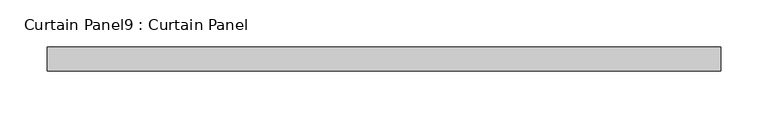
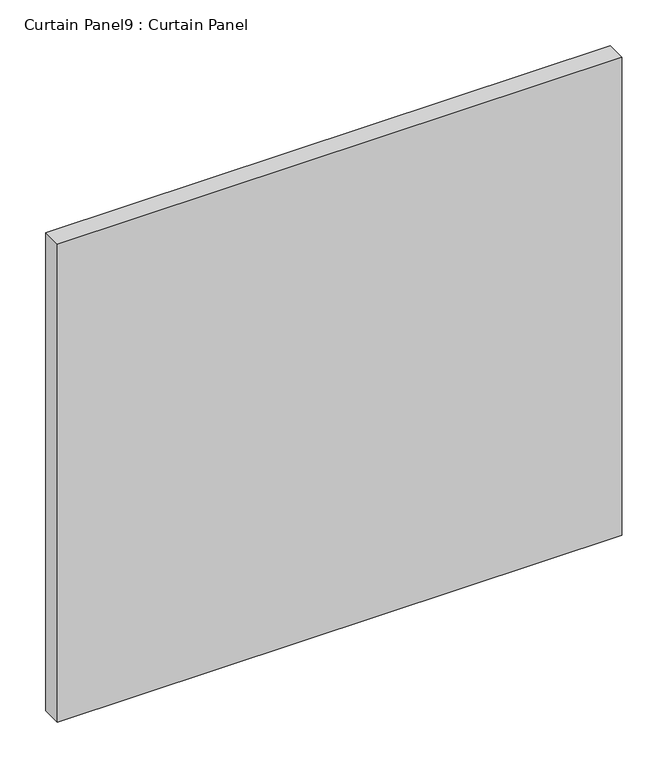
"""IFC4 building model written with IfcOpenShell, lengths in millimetres: plate geometry, Curtain Panel9 : Curtain Panel."""

from ifc_helpers import new_model, si_unit, frame, origin, place, context, project, spatial, polyline, outline, extrude, source, transform, mapped, element, save


def curtain_panel9_curtain_panel_45b030e6(model_context):
    return source(origin(), model_context, "Body", "SweptSolid", [
        extrude(outline(polyline([(5437.0840687, 3568.3617926), (4722.2292464, 3568.3617926), (4722.2292464, 3593.7617926), (5437.0840687, 3593.7617926), (5437.0840687, 3568.3617926)])), frame((0.0, 0.0, 683.2652917), z_axis=(0.0, 0.0, 1.0), x_axis=(1.0, 0.0, 0.0)), (0.0, 0.0, 1.0), 640.0016517),
    ])


if __name__ == "__main__":
    model = new_model("IFC4")
    model_context = context("Model", 3, world=origin())
    ifc_project = project(units=[si_unit("LENGTHUNIT", "METRE", prefix="MILLI")], contexts=[model_context])
    site = spatial("IfcSite", under=ifc_project)
    building = spatial("IfcBuilding", under=site)
    placement = place(None, origin())
    curtain_panel9_curtain_panel_shape = curtain_panel9_curtain_panel_45b030e6(model_context)
    element("IfcPlate", 1, ObjectType="Curtain Panel9 : Curtain Panel", at=placement, inside=building, context=model_context, shape_type="MappedRepresentation", body=[
        mapped(curtain_panel9_curtain_panel_shape, transform((0.0, 0.0, 0.0), x_axis=(1.0, 0.0, 0.0), y_axis=(0.0, 1.0, 0.0), z_axis=(0.0, 0.0, 1.0))),
    ])
    save(model, "model.ifc")
